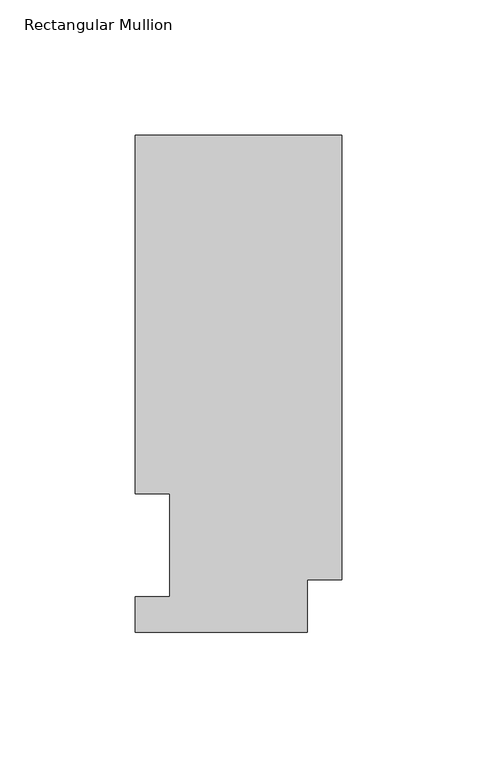
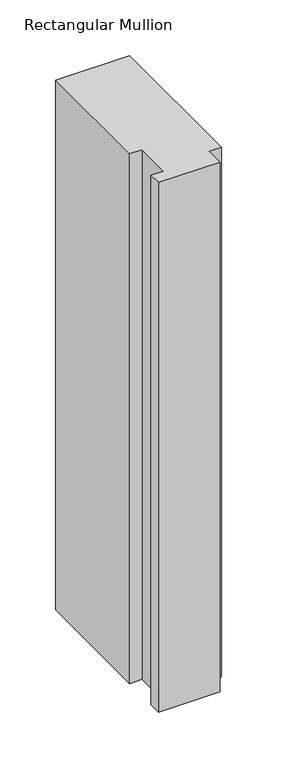
"""IFC4 building model written with IfcOpenShell, lengths in millimetres: member geometry, Rectangular Mullion."""

from ifc_helpers import new_model, si_unit, frame, origin, place, context, project, spatial, polyline, outline, extrude, source, transform, mapped, element, save


def rectangular_mullion_36fd724d(model_context):
    return source(origin(), model_context, "Body", "SweptSolid", [
        extrude(outline(polyline([(0.0, 221.8631896), (0.0, 57.7537892), (-12.7000001, 57.7537892), (-12.7000001, 38.2211892), (-76.2000001, 38.2211892), (-76.2000001, 51.4037892), (-63.5126996, 51.4037892), (-63.5126996, 89.5037892), (-76.2000001, 89.5037892), (-76.2000001, 221.8631896), (0.0, 221.8631896)])), frame((0.0, 0.0, -577.8499998), z_axis=(0.0, 0.0, 1.0), x_axis=(1.0, 0.0, 0.0)), (0.0, 0.0, 1.0), 577.8499998),
    ])


if __name__ == "__main__":
    model = new_model("IFC4")
    model_context = context("Model", 3, world=origin())
    ifc_project = project(units=[si_unit("LENGTHUNIT", "METRE", prefix="MILLI")], contexts=[model_context])
    site = spatial("IfcSite", under=ifc_project)
    building = spatial("IfcBuilding", under=site)
    placement = place(None, origin())
    rectangular_mullion_shape = rectangular_mullion_36fd724d(model_context)
    element("IfcMember", 1, ObjectType="Rectangular Mullion", at=placement, inside=building, context=model_context, shape_type="MappedRepresentation", body=[
        mapped(rectangular_mullion_shape, transform((0.0, 0.0, 0.0), x_axis=(1.0, 0.0, 0.0), y_axis=(0.0, 1.0, 0.0), z_axis=(0.0, 0.0, 1.0))),
    ])
    save(model, "model.ifc")
